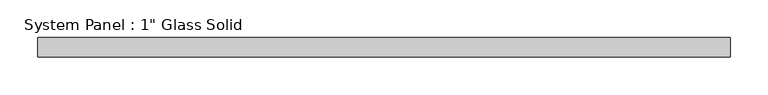
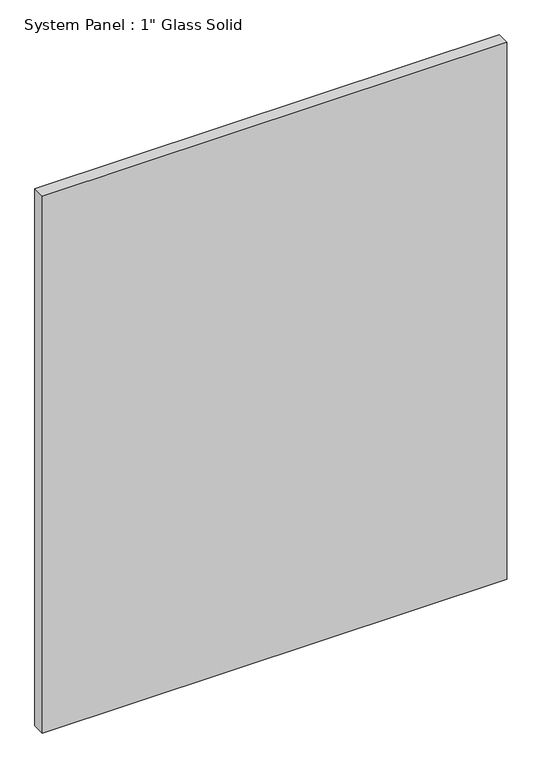
"""IFC4 building model written with IfcOpenShell, lengths in millimetres: plate geometry."""

import ifcopenshell
import ifcopenshell.guid

model = None  # the IFC model being written
_history = None  # IfcOwnerHistory: only IFC2X3 demands one
_inside = {}  # id of a spatial element -> (the spatial element, [elements in it])
_under = {}  # id of a project, library or spatial element -> (it, [spatial elements below it])
_declared = {}  # id of a project -> (the project, [libraries it declares])
_typed = {}  # id of a type object -> (the type object, [elements of that type])
_made_of = {}  # id of a material, layer set ... -> (it, [elements and type objects made of it])


def new_model(schema):
    """Start an empty IFC model of exactly this schema.

    Asked for "IFC4X3", IfcOpenShell would pick the latest addendum, in which some entities
    have other attributes; the version numbers below select the first issue.
    IFC2X3 requires an IfcOwnerHistory on every rooted entity: one is made here for all.
    """
    global model, _history
    if schema == "IFC4X3":
        model = ifcopenshell.file(schema_version=(4, 3, 0, 0))
    else:
        model = ifcopenshell.file(schema=schema)
    _inside.clear()
    _under.clear()
    _declared.clear()
    _typed.clear()
    _made_of.clear()
    _history = None
    if model.schema == "IFC2X3":
        org = make("IfcOrganization", Name="unknown")
        user = make(
            "IfcPersonAndOrganization",
            ThePerson=make("IfcPerson", FamilyName="unknown"),
            TheOrganization=org,
        )
        app = make(
            "IfcApplication",
            ApplicationDeveloper=org,
            Version="unknown",
            ApplicationFullName="unknown",
            ApplicationIdentifier="unknown",
        )
        _history = make(
            "IfcOwnerHistory",
            OwningUser=user,
            OwningApplication=app,
            ChangeAction="ADDED",
            CreationDate=0,
        )
    return model


def make(cls, **values):
    """One entity of the class cls with the attributes given. An attribute that is None is left unset."""
    return model.create_entity(
        cls, **{name: value for name, value in values.items() if value is not None}
    )


def rooted(cls, **values):
    """An entity with a GlobalId (a new one), such as an element, a storey or a relation."""
    return make(cls, GlobalId=ifcopenshell.guid.new(), OwnerHistory=_history, **values)


def si_unit(unit_type, name, prefix=None):
    """IfcSIUnit, for example si_unit("LENGTHUNIT", "METRE", prefix="MILLI")."""
    return make("IfcSIUnit", UnitType=unit_type, Prefix=prefix, Name=name)


def assignment(units):
    """IfcUnitAssignment: the units of a project."""
    return None if units is None else make("IfcUnitAssignment", Units=units)


def point(xyz):
    """IfcCartesianPoint."""
    return None if xyz is None else make("IfcCartesianPoint", Coordinates=xyz)


def direction(xyz):
    """IfcDirection."""
    return None if xyz is None else make("IfcDirection", DirectionRatios=xyz)


def frame(location, z_axis=None, x_axis=None):
    """IfcAxis2Placement3D, a coordinate frame: its origin and axes. An axis left out is left unset."""
    return make(
        "IfcAxis2Placement3D",
        Location=point(location),
        Axis=direction(z_axis),
        RefDirection=direction(x_axis),
    )


def origin():
    """The frame at (0, 0, 0) with its axes left unset."""
    return frame((0.0, 0.0, 0.0))


def origin_with_axes():
    """The frame at (0, 0, 0) with the z axis (0, 0, 1) and the x axis (1, 0, 0) written out."""
    return frame((0.0, 0.0, 0.0), z_axis=(0.0, 0.0, 1.0), x_axis=(1.0, 0.0, 0.0))


def place(relative_to, where):
    """IfcLocalPlacement: puts the frame where relative to a parent placement (None: the world)."""
    return make(
        "IfcLocalPlacement", PlacementRelTo=relative_to, RelativePlacement=where
    )


def context(
    kind, dimensions, precision=None, world=None, true_north=None, identifier=None
):
    """IfcGeometricRepresentationContext, for example the 3D "Model" context."""
    return make(
        "IfcGeometricRepresentationContext",
        ContextIdentifier=identifier,
        ContextType=kind,
        CoordinateSpaceDimension=dimensions,
        Precision=precision,
        WorldCoordinateSystem=world,
        TrueNorth=true_north,
    )


def project(units=None, contexts=None):
    """IfcProject with its units and contexts."""
    return rooted(
        "IfcProject",
        Name="project",
        RepresentationContexts=contexts,
        UnitsInContext=assignment(units),
    )


def spatial(cls, under=None, at=None, **own):
    """A site, building, storey or space (cls), placed at a placement, below another one or the project."""
    s = rooted(cls, ObjectPlacement=at, **own)
    if under is not None:
        _under.setdefault(under.id(), (under, []))[1].append(s)
    return s


def polyline(points):
    """IfcPolyline through the points."""
    return make("IfcPolyline", Points=[point(p) for p in points])


def outline(outer, holes=None, kind="AREA"):
    """IfcArbitraryClosedProfileDef: a profile drawn as a closed curve; with holes, ...WithVoids."""
    if holes is None:
        return make("IfcArbitraryClosedProfileDef", ProfileType=kind, OuterCurve=outer)
    return make(
        "IfcArbitraryProfileDefWithVoids",
        ProfileType=kind,
        OuterCurve=outer,
        InnerCurves=holes,
    )


def extrude(swept, where, along, depth):
    """IfcExtrudedAreaSolid: the profile swept, set in the frame where, extruded along a direction by depth."""
    return make(
        "IfcExtrudedAreaSolid",
        SweptArea=swept,
        Position=where,
        ExtrudedDirection=direction(along),
        Depth=depth,
    )


def shape(context_of_items, identifier, shape_type, items):
    """IfcShapeRepresentation: the items that make up one representation, for example the "Body"."""
    return make(
        "IfcShapeRepresentation",
        ContextOfItems=context_of_items,
        RepresentationIdentifier=identifier,
        RepresentationType=shape_type,
        Items=items,
    )


def source(mapping_origin, context_of_items, identifier, shape_type, items):
    """IfcRepresentationMap: a shape defined once, which mapped items show again and again."""
    return make(
        "IfcRepresentationMap",
        MappingOrigin=mapping_origin,
        MappedRepresentation=shape(context_of_items, identifier, shape_type, items),
    )


def transform(
    local_origin,
    x_axis=None,
    y_axis=None,
    z_axis=None,
    scale=None,
    scale2=None,
    scale3=None,
    uniform=True,
):
    """IfcCartesianTransformationOperator3D, or its non-uniform kind. x_axis, y_axis, z_axis: its Axis1, 2, 3."""
    if uniform:
        return make(
            "IfcCartesianTransformationOperator3D",
            Axis1=direction(x_axis),
            Axis2=direction(y_axis),
            LocalOrigin=point(local_origin),
            Scale=scale,
            Axis3=direction(z_axis),
        )
    return make(
        "IfcCartesianTransformationOperator3DnonUniform",
        Axis1=direction(x_axis),
        Axis2=direction(y_axis),
        LocalOrigin=point(local_origin),
        Scale=scale,
        Axis3=direction(z_axis),
        Scale2=scale2,
        Scale3=scale3,
    )


def mapped(mapping_source, mapping_target):
    """IfcMappedItem: shows the shape of a source again, moved by a transform."""
    return make(
        "IfcMappedItem", MappingSource=mapping_source, MappingTarget=mapping_target
    )


def made_of(thing, what):
    """Note that an element or type object is made of a material, layer set ...; save() writes the relation."""
    if what is not None:
        _made_of.setdefault(what.id(), (what, []))[1].append(thing)
    return thing


def element(
    cls,
    number,
    at=None,
    inside=None,
    cuts=None,
    type_object=None,
    material=None,
    context=None,
    identifier="Body",
    shape_type=None,
    held_by="IfcProductDefinitionShape",
    body=None,
    shapes=None,
    **own,
):
    """One element of the class cls, such as IfcWall. Its Tag is "e" and its number.

    at: its placement. inside: the storey or other place that contains it. cuts: it is an
    opening in that element (IfcRelVoidsElement). A single representation is given by context,
    identifier, shape_type and body (its items); several are given by shapes. held_by: the class
    of the entity that holds the representations. save() writes the other relations.
    """
    e = rooted(cls, Tag="e%d" % number, ObjectPlacement=at, **own)
    if body is not None:
        shapes = [shape(context, identifier, shape_type, body)]
    if shapes is not None:
        e.Representation = make(held_by, Representations=shapes)
    if inside is not None:
        _inside.setdefault(inside.id(), (inside, []))[1].append(e)
    if cuts is not None:
        rooted(
            "IfcRelVoidsElement", RelatingBuildingElement=cuts, RelatedOpeningElement=e
        )
    if type_object is not None:
        _typed.setdefault(type_object.id(), (type_object, []))[1].append(e)
    return made_of(e, material)


def aggregate(whole, parts):
    """IfcRelAggregates: a whole, such as a stair, and the parts it consists of."""
    return rooted("IfcRelAggregates", RelatingObject=whole, RelatedObjects=parts)


def save(model, path):
    """Write the relations noted so far, then the file.

    IfcRelAggregates (storeys below a building ...), IfcRelContainedInSpatialStructure (elements
    in a storey), IfcRelDefinesByType, IfcRelAssociatesMaterial and IfcRelDeclares: one each for
    every whole, place, type object, material and project.
    """
    for whole, parts in _under.values():
        aggregate(whole, parts)
    for where, things in _inside.values():
        rooted(
            "IfcRelContainedInSpatialStructure",
            RelatedElements=things,
            RelatingStructure=where,
        )
    for kind, things in _typed.values():
        rooted("IfcRelDefinesByType", RelatedObjects=things, RelatingType=kind)
    for what, things in _made_of.values():
        rooted("IfcRelAssociatesMaterial", RelatedObjects=things, RelatingMaterial=what)
    for by, libraries in _declared.values():
        rooted("IfcRelDeclares", RelatingContext=by, RelatedDefinitions=libraries)
    model.write(path)


def plate_51c78c33(model_context):
    return source(origin(), model_context, "Body", "SweptSolid", [
        extrude(outline(polyline([(456.6211839, -12.7), (-456.6211839, -12.7), (-456.6211839, 12.7), (456.6211839, 12.7), (456.6211839, -12.7)])), origin_with_axes(), (0.0, 0.0, 1.0), 1116.4441382),
    ])


if __name__ == "__main__":
    model = new_model("IFC4")
    model_context = context("Model", 3, world=origin())
    ifc_project = project(units=[si_unit("LENGTHUNIT", "METRE", prefix="MILLI")], contexts=[model_context])
    site = spatial("IfcSite", under=ifc_project)
    building = spatial("IfcBuilding", under=site)
    placement = place(None, origin())
    plate_shape = plate_51c78c33(model_context)
    element("IfcPlate", 1, ObjectType="System Panel : 1\" Glass Solid", at=placement, inside=building, context=model_context, shape_type="MappedRepresentation", body=[
        mapped(plate_shape, transform((0.0, 0.0, 0.0), x_axis=(1.0, 0.0, 0.0), y_axis=(0.0, 1.0, 0.0), z_axis=(0.0, 0.0, 1.0))),
    ])
    save(model, "model.ifc")
